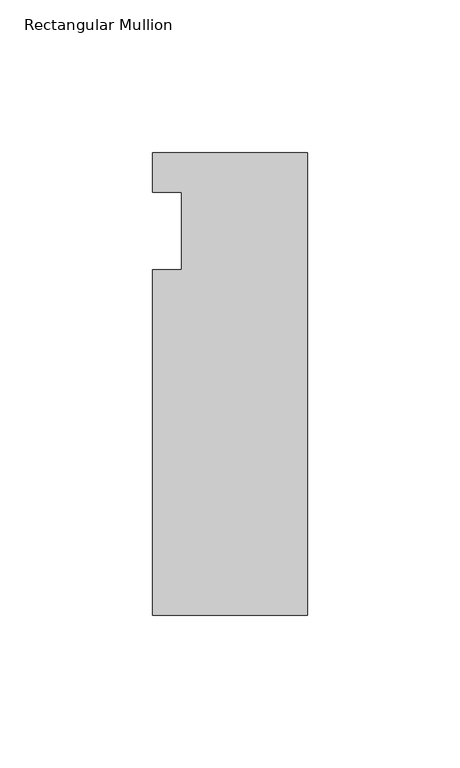
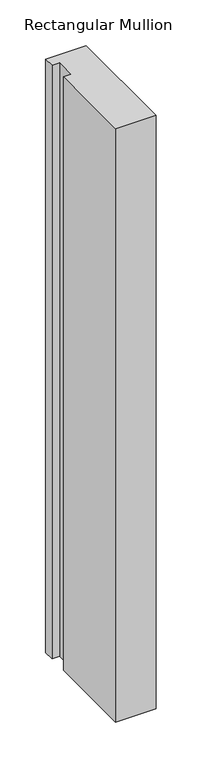
"""IFC4 building model written with IfcOpenShell, lengths in millimetres: member geometry, Rectangular Mullion."""

from ifc_helpers import new_model, si_unit, frame, origin, place, context, project, spatial, polyline, outline, extrude, source, transform, mapped, element, save


def rectangular_mullion_b15a2397(model_context):
    return source(origin(), model_context, "Body", "SweptSolid", [
        extrude(outline(polyline([(-25.4, 25.796875), (25.4, 25.796875), (25.4, -125.809375), (-25.4, -125.809375), (-25.4, -12.7), (-15.875, -12.7), (-15.875, 12.7), (-25.4, 12.7), (-25.4, 25.796875)])), frame((0.0, 0.0, -787.4), z_axis=(0.0, 0.0, 1.0), x_axis=(1.0, 0.0, 0.0)), (0.0, 0.0, 1.0), 787.4),
    ])


if __name__ == "__main__":
    model = new_model("IFC4")
    model_context = context("Model", 3, world=origin())
    ifc_project = project(units=[si_unit("LENGTHUNIT", "METRE", prefix="MILLI")], contexts=[model_context])
    site = spatial("IfcSite", under=ifc_project)
    building = spatial("IfcBuilding", under=site)
    placement = place(None, origin())
    rectangular_mullion_shape = rectangular_mullion_b15a2397(model_context)
    element("IfcMember", 1, ObjectType="Rectangular Mullion", at=placement, inside=building, context=model_context, shape_type="MappedRepresentation", body=[
        mapped(rectangular_mullion_shape, transform((0.0, 0.0, 0.0), x_axis=(1.0, 0.0, 0.0), y_axis=(0.0, 1.0, 0.0), z_axis=(0.0, 0.0, 1.0))),
    ])
    save(model, "model.ifc")
